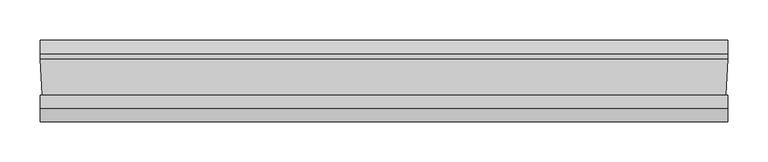
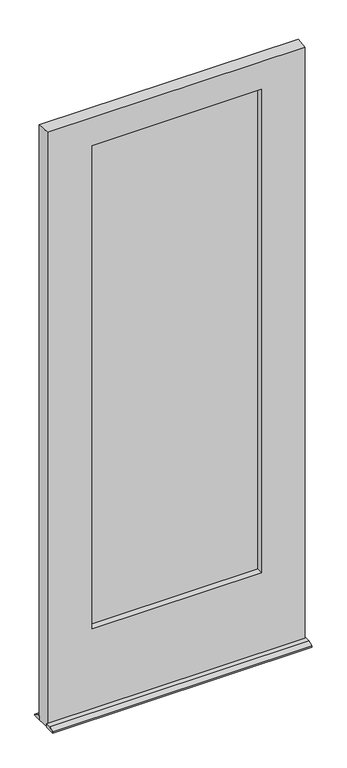
"""IFC4 building model written with IfcOpenShell, lengths in millimetres: plate geometry."""

import ifcopenshell
import ifcopenshell.guid

model = None  # the IFC model being written
_history = None  # IfcOwnerHistory: only IFC2X3 demands one
_inside = {}  # id of a spatial element -> (the spatial element, [elements in it])
_under = {}  # id of a project, library or spatial element -> (it, [spatial elements below it])
_declared = {}  # id of a project -> (the project, [libraries it declares])
_typed = {}  # id of a type object -> (the type object, [elements of that type])
_made_of = {}  # id of a material, layer set ... -> (it, [elements and type objects made of it])


def new_model(schema):
    """Start an empty IFC model of exactly this schema.

    Asked for "IFC4X3", IfcOpenShell would pick the latest addendum, in which some entities
    have other attributes; the version numbers below select the first issue.
    IFC2X3 requires an IfcOwnerHistory on every rooted entity: one is made here for all.
    """
    global model, _history
    if schema == "IFC4X3":
        model = ifcopenshell.file(schema_version=(4, 3, 0, 0))
    else:
        model = ifcopenshell.file(schema=schema)
    _inside.clear()
    _under.clear()
    _declared.clear()
    _typed.clear()
    _made_of.clear()
    _history = None
    if model.schema == "IFC2X3":
        org = make("IfcOrganization", Name="unknown")
        user = make(
            "IfcPersonAndOrganization",
            ThePerson=make("IfcPerson", FamilyName="unknown"),
            TheOrganization=org,
        )
        app = make(
            "IfcApplication",
            ApplicationDeveloper=org,
            Version="unknown",
            ApplicationFullName="unknown",
            ApplicationIdentifier="unknown",
        )
        _history = make(
            "IfcOwnerHistory",
            OwningUser=user,
            OwningApplication=app,
            ChangeAction="ADDED",
            CreationDate=0,
        )
    return model


def make(cls, **values):
    """One entity of the class cls with the attributes given. An attribute that is None is left unset."""
    return model.create_entity(
        cls, **{name: value for name, value in values.items() if value is not None}
    )


def rooted(cls, **values):
    """An entity with a GlobalId (a new one), such as an element, a storey or a relation."""
    return make(cls, GlobalId=ifcopenshell.guid.new(), OwnerHistory=_history, **values)


def si_unit(unit_type, name, prefix=None):
    """IfcSIUnit, for example si_unit("LENGTHUNIT", "METRE", prefix="MILLI")."""
    return make("IfcSIUnit", UnitType=unit_type, Prefix=prefix, Name=name)


def assignment(units):
    """IfcUnitAssignment: the units of a project."""
    return None if units is None else make("IfcUnitAssignment", Units=units)


def point(xyz):
    """IfcCartesianPoint."""
    return None if xyz is None else make("IfcCartesianPoint", Coordinates=xyz)


def direction(xyz):
    """IfcDirection."""
    return None if xyz is None else make("IfcDirection", DirectionRatios=xyz)


def frame(location, z_axis=None, x_axis=None):
    """IfcAxis2Placement3D, a coordinate frame: its origin and axes. An axis left out is left unset."""
    return make(
        "IfcAxis2Placement3D",
        Location=point(location),
        Axis=direction(z_axis),
        RefDirection=direction(x_axis),
    )


def origin():
    """The frame at (0, 0, 0) with its axes left unset."""
    return frame((0.0, 0.0, 0.0))


def place(relative_to, where):
    """IfcLocalPlacement: puts the frame where relative to a parent placement (None: the world)."""
    return make(
        "IfcLocalPlacement", PlacementRelTo=relative_to, RelativePlacement=where
    )


def context(
    kind, dimensions, precision=None, world=None, true_north=None, identifier=None
):
    """IfcGeometricRepresentationContext, for example the 3D "Model" context."""
    return make(
        "IfcGeometricRepresentationContext",
        ContextIdentifier=identifier,
        ContextType=kind,
        CoordinateSpaceDimension=dimensions,
        Precision=precision,
        WorldCoordinateSystem=world,
        TrueNorth=true_north,
    )


def project(units=None, contexts=None):
    """IfcProject with its units and contexts."""
    return rooted(
        "IfcProject",
        Name="project",
        RepresentationContexts=contexts,
        UnitsInContext=assignment(units),
    )


def spatial(cls, under=None, at=None, **own):
    """A site, building, storey or space (cls), placed at a placement, below another one or the project."""
    s = rooted(cls, ObjectPlacement=at, **own)
    if under is not None:
        _under.setdefault(under.id(), (under, []))[1].append(s)
    return s


def polyline(points):
    """IfcPolyline through the points."""
    return make("IfcPolyline", Points=[point(p) for p in points])


def outline(outer, holes=None, kind="AREA"):
    """IfcArbitraryClosedProfileDef: a profile drawn as a closed curve; with holes, ...WithVoids."""
    if holes is None:
        return make("IfcArbitraryClosedProfileDef", ProfileType=kind, OuterCurve=outer)
    return make(
        "IfcArbitraryProfileDefWithVoids",
        ProfileType=kind,
        OuterCurve=outer,
        InnerCurves=holes,
    )


def extrude(swept, where, along, depth):
    """IfcExtrudedAreaSolid: the profile swept, set in the frame where, extruded along a direction by depth."""
    return make(
        "IfcExtrudedAreaSolid",
        SweptArea=swept,
        Position=where,
        ExtrudedDirection=direction(along),
        Depth=depth,
    )


def faces_of(points, faces, orient=None, outer=None):
    """IfcFace entities. A face is a list of loops; a loop is a list of indices into points, from 0.

    orient and outer hold one flag for each loop. By default every Orientation is true, the
    first loop of a face is its IfcFaceOuterBound and the others are IfcFaceBound.
    """
    made = []
    for i, loops in enumerate(faces):
        bounds = []
        for j, loop in enumerate(loops):
            is_outer = j == 0 if outer is None else outer[i][j]
            bounds.append(
                make(
                    "IfcFaceOuterBound" if is_outer else "IfcFaceBound",
                    Bound=make("IfcPolyLoop", Polygon=[points[k] for k in loop]),
                    Orientation=True if orient is None else orient[i][j],
                )
            )
        made.append(make("IfcFace", Bounds=bounds))
    return made


def faceted_brep(points, faces, orient=None, outer=None, voids=None):
    """IfcFacetedBrep: a solid bounded by flat faces; with voids (closed shells), ...WithVoids."""
    shared = [point(p) for p in points]
    hull = make("IfcClosedShell", CfsFaces=faces_of(shared, faces, orient, outer))
    if voids is None:
        return make("IfcFacetedBrep", Outer=hull)
    return make(
        "IfcFacetedBrepWithVoids",
        Outer=hull,
        Voids=[
            make(cls, CfsFaces=faces_of(shared, fs, o, b)) for cls, fs, o, b in voids
        ],
    )


def shape(context_of_items, identifier, shape_type, items):
    """IfcShapeRepresentation: the items that make up one representation, for example the "Body"."""
    return make(
        "IfcShapeRepresentation",
        ContextOfItems=context_of_items,
        RepresentationIdentifier=identifier,
        RepresentationType=shape_type,
        Items=items,
    )


def source(mapping_origin, context_of_items, identifier, shape_type, items):
    """IfcRepresentationMap: a shape defined once, which mapped items show again and again."""
    return make(
        "IfcRepresentationMap",
        MappingOrigin=mapping_origin,
        MappedRepresentation=shape(context_of_items, identifier, shape_type, items),
    )


def transform(
    local_origin,
    x_axis=None,
    y_axis=None,
    z_axis=None,
    scale=None,
    scale2=None,
    scale3=None,
    uniform=True,
):
    """IfcCartesianTransformationOperator3D, or its non-uniform kind. x_axis, y_axis, z_axis: its Axis1, 2, 3."""
    if uniform:
        return make(
            "IfcCartesianTransformationOperator3D",
            Axis1=direction(x_axis),
            Axis2=direction(y_axis),
            LocalOrigin=point(local_origin),
            Scale=scale,
            Axis3=direction(z_axis),
        )
    return make(
        "IfcCartesianTransformationOperator3DnonUniform",
        Axis1=direction(x_axis),
        Axis2=direction(y_axis),
        LocalOrigin=point(local_origin),
        Scale=scale,
        Axis3=direction(z_axis),
        Scale2=scale2,
        Scale3=scale3,
    )


def mapped(mapping_source, mapping_target):
    """IfcMappedItem: shows the shape of a source again, moved by a transform."""
    return make(
        "IfcMappedItem", MappingSource=mapping_source, MappingTarget=mapping_target
    )


def made_of(thing, what):
    """Note that an element or type object is made of a material, layer set ...; save() writes the relation."""
    if what is not None:
        _made_of.setdefault(what.id(), (what, []))[1].append(thing)
    return thing


def element(
    cls,
    number,
    at=None,
    inside=None,
    cuts=None,
    type_object=None,
    material=None,
    context=None,
    identifier="Body",
    shape_type=None,
    held_by="IfcProductDefinitionShape",
    body=None,
    shapes=None,
    **own,
):
    """One element of the class cls, such as IfcWall. Its Tag is "e" and its number.

    at: its placement. inside: the storey or other place that contains it. cuts: it is an
    opening in that element (IfcRelVoidsElement). A single representation is given by context,
    identifier, shape_type and body (its items); several are given by shapes. held_by: the class
    of the entity that holds the representations. save() writes the other relations.
    """
    e = rooted(cls, Tag="e%d" % number, ObjectPlacement=at, **own)
    if body is not None:
        shapes = [shape(context, identifier, shape_type, body)]
    if shapes is not None:
        e.Representation = make(held_by, Representations=shapes)
    if inside is not None:
        _inside.setdefault(inside.id(), (inside, []))[1].append(e)
    if cuts is not None:
        rooted(
            "IfcRelVoidsElement", RelatingBuildingElement=cuts, RelatedOpeningElement=e
        )
    if type_object is not None:
        _typed.setdefault(type_object.id(), (type_object, []))[1].append(e)
    return made_of(e, material)


def aggregate(whole, parts):
    """IfcRelAggregates: a whole, such as a stair, and the parts it consists of."""
    return rooted("IfcRelAggregates", RelatingObject=whole, RelatedObjects=parts)


def save(model, path):
    """Write the relations noted so far, then the file.

    IfcRelAggregates (storeys below a building ...), IfcRelContainedInSpatialStructure (elements
    in a storey), IfcRelDefinesByType, IfcRelAssociatesMaterial and IfcRelDeclares: one each for
    every whole, place, type object, material and project.
    """
    for whole, parts in _under.values():
        aggregate(whole, parts)
    for where, things in _inside.values():
        rooted(
            "IfcRelContainedInSpatialStructure",
            RelatedElements=things,
            RelatingStructure=where,
        )
    for kind, things in _typed.values():
        rooted("IfcRelDefinesByType", RelatedObjects=things, RelatingType=kind)
    for what, things in _made_of.values():
        rooted("IfcRelAssociatesMaterial", RelatedObjects=things, RelatingMaterial=what)
    for by, libraries in _declared.values():
        rooted("IfcRelDeclares", RelatingContext=by, RelatedDefinitions=libraries)
    model.write(path)


def plate_999dcb21(model_context):
    return source(origin(), model_context, "Body", "SolidModel", [
        extrude(outline(polyline([(-287.9958933, -16.3742688), (-287.9958933, -13.1992688), (296.8624637, -13.1992688), (296.8624637, -16.3742688), (-287.9958933, -16.3742688)])), frame((0.0, 0.0, 277.415625), z_axis=(0.0, 0.0, 1.0), x_axis=(1.0, 0.0, 0.0)), (0.0, 0.0, 1.0), 1720.453125),
        extrude(outline(polyline([(-287.9958933, -20.9383312), (296.8624637, -20.9383312), (296.8624637, -24.1133312), (-287.9958933, -24.1133312), (-287.9958933, -20.9383312)])), frame((0.0, 0.0, 277.415625), z_axis=(0.0, 0.0, 1.0), x_axis=(1.0, 0.0, 0.0)), (0.0, 0.0, 1.0), 1720.453125),
        faceted_brep([(429.4187863, -46.037564, 12.7), (429.4187863, -62.6999, 12.7), (429.4187863, -79.3877454, 4.9183299), (429.4187863, -79.3877454, 0.0003044), (429.4187863, -46.037564, 0.0003044), (429.4187863, 22.2123454, 0.0003044), (429.4187863, 22.2123454, 4.9183299), (429.4187863, 5.5245, 12.7), (429.4187863, -1.587564, 12.7), (429.4187863, -1.587564, 0.0003044), (-429.3952447, -1.587564, 12.7), (-429.3952447, 5.5245, 12.7), (-429.3952447, 22.2123454, 4.9183299), (-429.3952447, 22.2123454, 0.0003044), (-429.3952447, -1.587564, 0.0003044), (-429.3952447, -79.3877454, 0.0003044), (-429.3952447, -79.3877454, 4.9183299), (-429.3952447, -62.6999, 12.7), (-429.3952447, -46.037564, 12.7), (-429.3952447, -46.037564, 0.0003044), (-287.9958933, -13.1992688, 277.415625), (-287.9958933, -24.1133312, 277.415625), (296.8624637, -24.1133312, 277.415625), (296.8624637, -13.1992688, 277.415625), (-287.9958933, -24.1133313, 1997.86875), (296.8624637, -24.1133313, 1997.86875), (-279.2584421, -24.1133313, 1982.8002), (-279.2584421, -24.1133312, 292.0869956), (281.7943125, -24.1133312, 292.0869956), (281.7943125, -24.1133313, 1982.8002), (-279.2584421, -46.037564, 292.0869956), (281.7943125, -46.037564, 292.0869956), (-426.6266447, -46.037564, 2080.41875), (-426.6266447, -46.037564, 12.7), (426.6501863, -46.037564, 12.7), (426.6501863, -46.037564, 2080.41875), (-279.2584421, -46.037564, 1982.8002), (281.7943125, -46.037564, 1982.8002), (-426.6266447, -46.037564, 0.0003044), (426.6501863, -46.037564, 0.0003044), (-429.3952447, -1.587564, 2080.41875), (429.4187863, -1.587564, 2080.41875), (-277.01875, -1.587564, 1978.025), (-277.01875, -1.587564, 296.8621956), (277.01875, -1.587564, 296.8621956), (277.01875, -1.587564, 1978.025), (-277.01875, -13.1992688, 296.8621956), (277.01875, -13.1992688, 296.8621956), (-287.9958933, -13.1992688, 1997.86875), (296.8624637, -13.1992688, 1997.86875), (-277.01875, -13.1992688, 1978.025), (277.01875, -13.1992688, 1978.025)], [[[0, 1, 2, 3, 4]], [[5, 6, 7, 8, 9]], [[10, 11, 12, 13, 14]], [[15, 16, 17, 18, 19]], [[20, 21, 22, 23]], [[21, 24, 25, 22], [26, 27, 28, 29]], [[27, 30, 31, 28]], [[32, 33, 34, 35], [30, 36, 37, 31]], [[1, 0, 34, 33, 18, 17]], [[2, 1, 17, 16]], [[3, 2, 16, 15]], [[3, 15, 19, 38, 14, 13, 5, 9, 39, 4]], [[6, 5, 13, 12]], [[7, 6, 12, 11]], [[8, 7, 11, 10]], [[10, 40, 41, 8], [42, 43, 44, 45]], [[43, 46, 47, 44]], [[48, 20, 23, 49], [46, 50, 51, 47]], [[30, 27, 26, 36]], [[21, 20, 48, 24]], [[46, 43, 42, 50]], [[47, 51, 45, 44]], [[23, 22, 25, 49]], [[31, 37, 29, 28]], [[50, 42, 45, 51]], [[24, 48, 49, 25]], [[36, 26, 29, 37]], [[40, 32, 35, 41]], [[38, 33, 32, 40, 10, 14]], [[34, 39, 9, 8, 41, 35]], [[33, 38, 19, 18]], [[39, 34, 0, 4]]]),
    ])


if __name__ == "__main__":
    model = new_model("IFC4")
    model_context = context("Model", 3, world=origin())
    ifc_project = project(units=[si_unit("LENGTHUNIT", "METRE", prefix="MILLI")], contexts=[model_context])
    site = spatial("IfcSite", under=ifc_project)
    building = spatial("IfcBuilding", under=site)
    placement = place(None, origin())
    plate_shape = plate_999dcb21(model_context)
    element("IfcPlate", 1, at=placement, inside=building, context=model_context, shape_type="MappedRepresentation", body=[
        mapped(plate_shape, transform((0.0, 0.0, 0.0), x_axis=(1.0, 0.0, 0.0), y_axis=(0.0, 1.0, 0.0), z_axis=(0.0, 0.0, 1.0))),
    ])
    save(model, "model.ifc")
